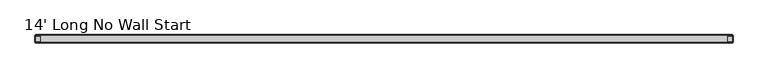
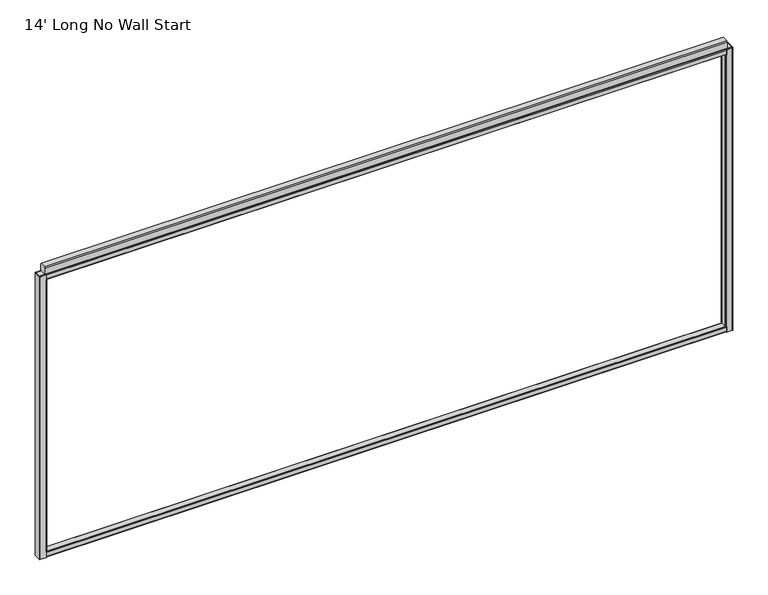
"""IFC4 building model written with IfcOpenShell, lengths in millimetres: furniture geometry, 14' Long No Wall Start."""

from ifc_helpers import new_model, si_unit, frame, origin, place, context, project, spatial, polyline, outline, extrude, faceted_brep, source, transform, mapped, element, save


def furniture_14_long_no_wall_start_42ef2968(model_context):
    return source(origin(), model_context, "Body", "SolidModel", [
        faceted_brep([(39.9542, 25.4, 1940.56), (4.4958, 25.4, 1940.56), (1.3167893, 24.0832107, 1940.56), (0.0, 20.9042, 1940.56), (0.0, -20.9042, 1940.56), (1.3167893, -24.0832107, 1940.56), (4.4958, -25.4, 1940.56), (39.9542, -25.4, 1940.56), (39.9542, -23.1181008, 1940.56), (39.5348529, -23.2918, 1940.56), (4.9151471, -23.2918, 1940.56), (2.9303358, -22.4696642, 1940.56), (2.1082, -20.4848529, 1940.56), (2.1082, 20.4848529, 1940.56), (2.9303358, 22.4696642, 1940.56), (4.9151471, 23.2918, 1940.56), (39.5348529, 23.2918, 1940.56), (39.9542, 23.1181008, 1940.56), (39.9542, -25.4, 101.6), (4.4958, -25.4, 101.6), (1.3167893, -24.0832107, 101.6), (0.0, -20.9042, 101.6), (0.0, 20.9042, 101.6), (1.3167893, 24.0832107, 101.6), (4.4958, 25.4, 101.6), (39.9542, 25.4, 101.6), (39.9542, 23.1181008, 101.6), (39.5348529, 23.2918, 101.6), (4.9151471, 23.2918, 101.6), (2.9303358, 22.4696642, 101.6), (2.1082, 20.4848529, 101.6), (2.1082, -20.4848529, 101.6), (2.9303358, -22.4696642, 101.6), (4.9151471, -23.2918, 101.6), (39.5348529, -23.2918, 101.6), (39.9542, -23.1181008, 101.6), (44.45, 20.9042, 1905.635), (44.45, -20.9042, 1905.635), (44.45, -20.9042, 136.525), (44.45, 20.9042, 136.525), (39.9542, -25.4, 136.525), (39.9542, -25.4, 1905.635), (39.9542, 25.4, 1905.635), (39.9542, 25.4, 136.525), (43.1332107, 24.0832107, 1905.635), (43.1332107, 24.0832107, 136.525), (43.1332107, -24.0832107, 1905.635), (43.1332107, -24.0832107, 136.525), (42.3418, -20.4848529, 1905.635), (42.3418, 20.4848529, 1905.635), (42.3418, 20.4848529, 136.525), (42.3418, -20.4848529, 136.525), (41.5196642, 22.4696642, 1905.635), (41.5196642, 22.4696642, 136.525), (39.9542, 23.1181008, 136.525), (39.9542, 23.1181008, 1905.635), (39.9542, -23.1181008, 1905.635), (41.5196642, -22.4696642, 1905.635), (41.5196642, -22.4696642, 136.525), (39.9542, -23.1181008, 136.525)], [[[0, 1, 2, 3, 4, 5, 6, 7, 8, 9, 10, 11, 12, 13, 14, 15, 16, 17]], [[18, 19, 20, 21, 22, 23, 24, 25, 26, 27, 28, 29, 30, 31, 32, 33, 34, 35]], [[36, 37, 38, 39]], [[7, 6, 19, 18, 40, 41]], [[4, 3, 22, 21]], [[1, 0, 42, 43, 25, 24]], [[42, 44, 45, 43]], [[44, 36, 39, 45]], [[37, 46, 47, 38]], [[46, 41, 40, 47]], [[6, 5, 20, 19]], [[5, 4, 21, 20]], [[3, 2, 23, 22]], [[2, 1, 24, 23]], [[48, 49, 50, 51]], [[49, 52, 53, 50]], [[16, 27, 26, 54, 53, 52, 55, 17]], [[16, 15, 28, 27]], [[15, 14, 29, 28]], [[14, 13, 30, 29]], [[13, 12, 31, 30]], [[12, 11, 32, 31]], [[11, 10, 33, 32]], [[10, 9, 34, 33]], [[34, 9, 8, 56, 57, 58, 59, 35]], [[57, 48, 51, 58]], [[42, 55, 52, 49, 48, 57, 56, 41, 46, 37, 36, 44]], [[55, 42, 0, 17]], [[41, 56, 8, 7]], [[54, 43, 45, 39, 38, 47, 40, 59, 58, 51, 50, 53]], [[43, 54, 26, 25]], [[59, 40, 18, 35]]]),
        faceted_brep([(4227.2458, -25.4, 1940.56), (4262.7042, -25.4, 1940.56), (4265.8832107, -24.0832107, 1940.56), (4267.2, -20.9042, 1940.56), (4267.2, 20.9042, 1940.56), (4265.8832107, 24.0832107, 1940.56), (4262.7042, 25.4, 1940.56), (4227.2458, 25.4, 1940.56), (4227.2458, 23.1181008, 1940.56), (4227.6651471, 23.2918, 1940.56), (4262.2848529, 23.2918, 1940.56), (4264.2696642, 22.4696642, 1940.56), (4265.0918, 20.4848529, 1940.56), (4265.0918, -20.4848529, 1940.56), (4264.2696642, -22.4696642, 1940.56), (4262.2848529, -23.2918, 1940.56), (4227.6651471, -23.2918, 1940.56), (4227.2458, -23.1181008, 1940.56), (4227.2458, 25.4, 101.6), (4262.7042, 25.4, 101.6), (4265.8832107, 24.0832107, 101.6), (4267.2, 20.9042, 101.6), (4267.2, -20.9042, 101.6), (4265.8832107, -24.0832107, 101.6), (4262.7042, -25.4, 101.6), (4227.2458, -25.4, 101.6), (4227.2458, -23.1181008, 101.6), (4227.6651471, -23.2918, 101.6), (4262.2848529, -23.2918, 101.6), (4264.2696642, -22.4696642, 101.6), (4265.0918, -20.4848529, 101.6), (4265.0918, 20.4848529, 101.6), (4264.2696642, 22.4696642, 101.6), (4262.2848529, 23.2918, 101.6), (4227.6651471, 23.2918, 101.6), (4227.2458, 23.1181008, 101.6), (4222.75, -20.9042, 1905.635), (4222.75, 20.9042, 1905.635), (4222.75, 20.9042, 136.525), (4222.75, -20.9042, 136.525), (4227.2458, -25.4, 1905.635), (4227.2458, -25.4, 136.525), (4227.2458, 25.4, 136.525), (4227.2458, 25.4, 1905.635), (4224.0667893, 24.0832107, 1905.635), (4224.0667893, 24.0832107, 136.525), (4224.0667893, -24.0832107, 1905.635), (4224.0667893, -24.0832107, 136.525), (4224.8582, 20.4848529, 1905.635), (4224.8582, -20.4848529, 1905.635), (4224.8582, -20.4848529, 136.525), (4224.8582, 20.4848529, 136.525), (4225.6803358, 22.4696642, 1905.635), (4225.6803358, 22.4696642, 136.525), (4227.2458, 23.1181008, 1905.635), (4227.2458, 23.1181008, 136.525), (4227.2458, -23.1181008, 136.525), (4225.6803358, -22.4696642, 136.525), (4225.6803358, -22.4696642, 1905.635), (4227.2458, -23.1181008, 1905.635)], [[[0, 1, 2, 3, 4, 5, 6, 7, 8, 9, 10, 11, 12, 13, 14, 15, 16, 17]], [[18, 19, 20, 21, 22, 23, 24, 25, 26, 27, 28, 29, 30, 31, 32, 33, 34, 35]], [[36, 37, 38, 39]], [[1, 0, 40, 41, 25, 24]], [[4, 3, 22, 21]], [[7, 6, 19, 18, 42, 43]], [[44, 43, 42, 45]], [[37, 44, 45, 38]], [[46, 36, 39, 47]], [[40, 46, 47, 41]], [[2, 1, 24, 23]], [[3, 2, 23, 22]], [[5, 4, 21, 20]], [[6, 5, 20, 19]], [[48, 49, 50, 51]], [[52, 48, 51, 53]], [[34, 9, 8, 54, 52, 53, 55, 35]], [[10, 9, 34, 33]], [[11, 10, 33, 32]], [[12, 11, 32, 31]], [[13, 12, 31, 30]], [[14, 13, 30, 29]], [[15, 14, 29, 28]], [[16, 15, 28, 27]], [[16, 27, 26, 56, 57, 58, 59, 17]], [[49, 58, 57, 50]], [[54, 43, 44, 37, 36, 46, 40, 59, 58, 49, 48, 52]], [[43, 54, 8, 7]], [[59, 40, 0, 17]], [[42, 55, 53, 51, 50, 57, 56, 41, 47, 39, 38, 45]], [[55, 42, 18, 35]], [[41, 56, 26, 25]]]),
        extrude(outline(polyline([(-18.7325958, 101.6), (-21.884598, 102.905602), (-23.1902, 106.0576042), (-23.1902, 132.0673958), (-21.884598, 135.219398), (-18.7325958, 136.525), (18.7325958, 136.525), (21.884598, 135.219398), (23.1902, 132.0673958), (23.1902, 106.0576042), (21.884598, 102.905602), (18.7325958, 101.6), (-18.7325958, 101.6)]), holes=[polyline([(-18.3132488, 103.7082), (18.3132488, 103.7082), (20.2710515, 104.5191485), (21.082, 106.4769512), (21.082, 131.6480488), (20.2710515, 133.6058515), (18.3132488, 134.4168), (-18.3132488, 134.4168), (-20.2710515, 133.6058515), (-21.082, 131.6480488), (-21.082, 106.4769512), (-20.2710515, 104.5191485), (-18.3132488, 103.7082)])]), frame((2.1082, 0.0, 0.0), z_axis=(1.0, 0.0, 0.0), x_axis=(0.0, 1.0, 0.0)), (0.0, 0.0, 1.0), 4262.9836),
        extrude(outline(polyline([(-18.7325958, 1940.56), (18.7325958, 1940.56), (21.884598, 1939.254398), (23.1902, 1936.1023958), (23.1902, 1910.0926042), (21.884598, 1906.940602), (18.7325958, 1905.635), (-18.7325958, 1905.635), (-21.884598, 1906.940602), (-23.1902, 1910.0926042), (-23.1902, 1936.1023958), (-21.884598, 1939.254398), (-18.7325958, 1940.56)]), holes=[polyline([(-18.3132488, 1938.4518), (-20.2710515, 1937.6408515), (-21.082, 1935.6830488), (-21.082, 1910.5119512), (-20.2710515, 1908.5541485), (-18.3132488, 1907.7432), (18.3132488, 1907.7432), (20.2710515, 1908.5541485), (21.082, 1910.5119512), (21.082, 1935.6830488), (20.2710515, 1937.6408515), (18.3132488, 1938.4518), (-18.3132488, 1938.4518)])]), frame((2.1082, 0.0, 0.0), z_axis=(1.0, 0.0, 0.0), x_axis=(0.0, 1.0, 0.0)), (0.0, 0.0, 1.0), 4262.9836),
        extrude(outline(polyline([(19.908865, 1991.36), (25.4, 1985.868865), (25.4, 1946.051135), (19.908865, 1940.56), (-19.908865, 1940.56), (-25.4, 1946.051135), (-25.4, 1985.868865), (-19.908865, 1991.36), (19.908865, 1991.36)])), frame((34.5948, 0.0, 0.0), z_axis=(1.0, 0.0, 0.0), x_axis=(0.0, 1.0, 0.0)), (0.0, 0.0, 1.0), 4198.0104),
    ])


if __name__ == "__main__":
    model = new_model("IFC4")
    model_context = context("Model", 3, world=origin())
    ifc_project = project(units=[si_unit("LENGTHUNIT", "METRE", prefix="MILLI")], contexts=[model_context])
    site = spatial("IfcSite", under=ifc_project)
    building = spatial("IfcBuilding", under=site)
    placement = place(None, origin())
    furniture_14_long_no_wall_start_shape = furniture_14_long_no_wall_start_42ef2968(model_context)
    element("IfcFurniture", 1, ObjectType="14' Long No Wall Start", at=placement, inside=building, context=model_context, shape_type="MappedRepresentation", body=[
        mapped(furniture_14_long_no_wall_start_shape, transform((0.0, 0.0, 0.0), x_axis=(1.0, 0.0, 0.0), y_axis=(0.0, 1.0, 0.0), z_axis=(0.0, 0.0, 1.0))),
    ])
    save(model, "model.ifc")
